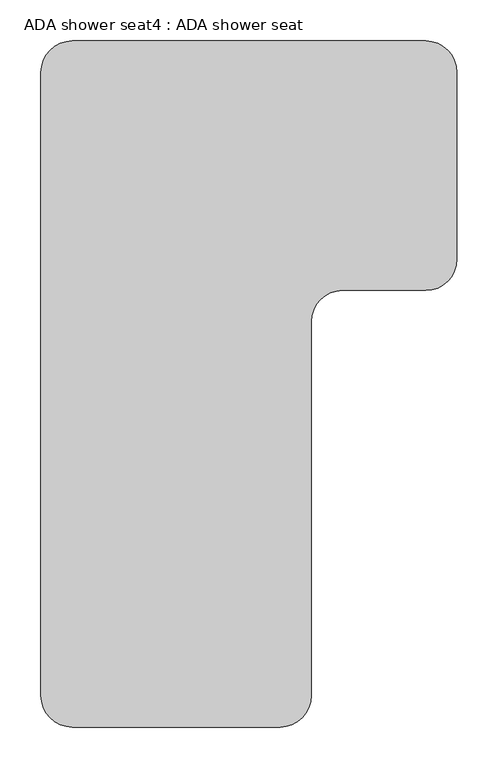
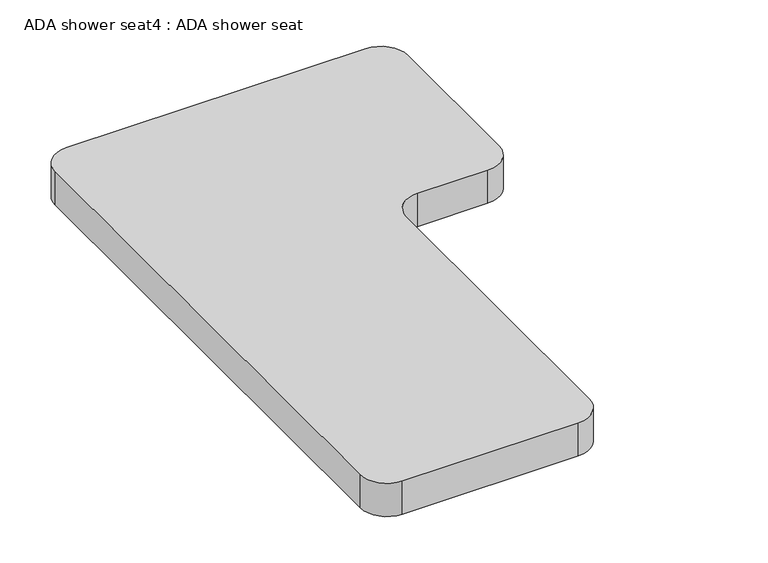
"""IFC4 building model written with IfcOpenShell, lengths in millimetres: proxy geometry, ADA shower seat4 : ADA shower seat."""

import ifcopenshell
import ifcopenshell.guid

model = None  # the IFC model being written
_history = None  # IfcOwnerHistory: only IFC2X3 demands one
_inside = {}  # id of a spatial element -> (the spatial element, [elements in it])
_under = {}  # id of a project, library or spatial element -> (it, [spatial elements below it])
_declared = {}  # id of a project -> (the project, [libraries it declares])
_typed = {}  # id of a type object -> (the type object, [elements of that type])
_made_of = {}  # id of a material, layer set ... -> (it, [elements and type objects made of it])


def new_model(schema):
    """Start an empty IFC model of exactly this schema.

    Asked for "IFC4X3", IfcOpenShell would pick the latest addendum, in which some entities
    have other attributes; the version numbers below select the first issue.
    IFC2X3 requires an IfcOwnerHistory on every rooted entity: one is made here for all.
    """
    global model, _history
    if schema == "IFC4X3":
        model = ifcopenshell.file(schema_version=(4, 3, 0, 0))
    else:
        model = ifcopenshell.file(schema=schema)
    _inside.clear()
    _under.clear()
    _declared.clear()
    _typed.clear()
    _made_of.clear()
    _history = None
    if model.schema == "IFC2X3":
        org = make("IfcOrganization", Name="unknown")
        user = make(
            "IfcPersonAndOrganization",
            ThePerson=make("IfcPerson", FamilyName="unknown"),
            TheOrganization=org,
        )
        app = make(
            "IfcApplication",
            ApplicationDeveloper=org,
            Version="unknown",
            ApplicationFullName="unknown",
            ApplicationIdentifier="unknown",
        )
        _history = make(
            "IfcOwnerHistory",
            OwningUser=user,
            OwningApplication=app,
            ChangeAction="ADDED",
            CreationDate=0,
        )
    return model


def make(cls, **values):
    """One entity of the class cls with the attributes given. An attribute that is None is left unset."""
    return model.create_entity(
        cls, **{name: value for name, value in values.items() if value is not None}
    )


def rooted(cls, **values):
    """An entity with a GlobalId (a new one), such as an element, a storey or a relation."""
    return make(cls, GlobalId=ifcopenshell.guid.new(), OwnerHistory=_history, **values)


def si_unit(unit_type, name, prefix=None):
    """IfcSIUnit, for example si_unit("LENGTHUNIT", "METRE", prefix="MILLI")."""
    return make("IfcSIUnit", UnitType=unit_type, Prefix=prefix, Name=name)


def assignment(units):
    """IfcUnitAssignment: the units of a project."""
    return None if units is None else make("IfcUnitAssignment", Units=units)


def point(xyz):
    """IfcCartesianPoint."""
    return None if xyz is None else make("IfcCartesianPoint", Coordinates=xyz)


def direction(xyz):
    """IfcDirection."""
    return None if xyz is None else make("IfcDirection", DirectionRatios=xyz)


def frame(location, z_axis=None, x_axis=None):
    """IfcAxis2Placement3D, a coordinate frame: its origin and axes. An axis left out is left unset."""
    return make(
        "IfcAxis2Placement3D",
        Location=point(location),
        Axis=direction(z_axis),
        RefDirection=direction(x_axis),
    )


def frame_2d(location, x_axis=None):
    """IfcAxis2Placement2D, a coordinate frame in the plane: its origin and x axis."""
    return make(
        "IfcAxis2Placement2D", Location=point(location), RefDirection=direction(x_axis)
    )


def origin():
    """The frame at (0, 0, 0) with its axes left unset."""
    return frame((0.0, 0.0, 0.0))


def place(relative_to, where):
    """IfcLocalPlacement: puts the frame where relative to a parent placement (None: the world)."""
    return make(
        "IfcLocalPlacement", PlacementRelTo=relative_to, RelativePlacement=where
    )


def context(
    kind, dimensions, precision=None, world=None, true_north=None, identifier=None
):
    """IfcGeometricRepresentationContext, for example the 3D "Model" context."""
    return make(
        "IfcGeometricRepresentationContext",
        ContextIdentifier=identifier,
        ContextType=kind,
        CoordinateSpaceDimension=dimensions,
        Precision=precision,
        WorldCoordinateSystem=world,
        TrueNorth=true_north,
    )


def project(units=None, contexts=None):
    """IfcProject with its units and contexts."""
    return rooted(
        "IfcProject",
        Name="project",
        RepresentationContexts=contexts,
        UnitsInContext=assignment(units),
    )


def spatial(cls, under=None, at=None, **own):
    """A site, building, storey or space (cls), placed at a placement, below another one or the project."""
    s = rooted(cls, ObjectPlacement=at, **own)
    if under is not None:
        _under.setdefault(under.id(), (under, []))[1].append(s)
    return s


def polyline(points):
    """IfcPolyline through the points."""
    return make("IfcPolyline", Points=[point(p) for p in points])


def circle_curve(where, radius):
    """IfcCircle in the frame where."""
    return make("IfcCircle", Position=where, Radius=radius)


def trimmed(basis, trim1, trim2, sense, master):
    """IfcTrimmedCurve: the piece of a basis curve between two trims."""
    return make(
        "IfcTrimmedCurve",
        BasisCurve=basis,
        Trim1=trim1,
        Trim2=trim2,
        SenseAgreement=sense,
        MasterRepresentation=master,
    )


def segment(curve, same_sense, transition):
    """IfcCompositeCurveSegment."""
    return make(
        "IfcCompositeCurveSegment",
        Transition=transition,
        SameSense=same_sense,
        ParentCurve=curve,
    )


def composite_curve(segments, self_intersect=None):
    """IfcCompositeCurve: segments joined end to end."""
    return make("IfcCompositeCurve", Segments=segments, SelfIntersect=self_intersect)


def outline(outer, holes=None, kind="AREA"):
    """IfcArbitraryClosedProfileDef: a profile drawn as a closed curve; with holes, ...WithVoids."""
    if holes is None:
        return make("IfcArbitraryClosedProfileDef", ProfileType=kind, OuterCurve=outer)
    return make(
        "IfcArbitraryProfileDefWithVoids",
        ProfileType=kind,
        OuterCurve=outer,
        InnerCurves=holes,
    )


def extrude(swept, where, along, depth):
    """IfcExtrudedAreaSolid: the profile swept, set in the frame where, extruded along a direction by depth."""
    return make(
        "IfcExtrudedAreaSolid",
        SweptArea=swept,
        Position=where,
        ExtrudedDirection=direction(along),
        Depth=depth,
    )


def shape(context_of_items, identifier, shape_type, items):
    """IfcShapeRepresentation: the items that make up one representation, for example the "Body"."""
    return make(
        "IfcShapeRepresentation",
        ContextOfItems=context_of_items,
        RepresentationIdentifier=identifier,
        RepresentationType=shape_type,
        Items=items,
    )


def source(mapping_origin, context_of_items, identifier, shape_type, items):
    """IfcRepresentationMap: a shape defined once, which mapped items show again and again."""
    return make(
        "IfcRepresentationMap",
        MappingOrigin=mapping_origin,
        MappedRepresentation=shape(context_of_items, identifier, shape_type, items),
    )


def transform(
    local_origin,
    x_axis=None,
    y_axis=None,
    z_axis=None,
    scale=None,
    scale2=None,
    scale3=None,
    uniform=True,
):
    """IfcCartesianTransformationOperator3D, or its non-uniform kind. x_axis, y_axis, z_axis: its Axis1, 2, 3."""
    if uniform:
        return make(
            "IfcCartesianTransformationOperator3D",
            Axis1=direction(x_axis),
            Axis2=direction(y_axis),
            LocalOrigin=point(local_origin),
            Scale=scale,
            Axis3=direction(z_axis),
        )
    return make(
        "IfcCartesianTransformationOperator3DnonUniform",
        Axis1=direction(x_axis),
        Axis2=direction(y_axis),
        LocalOrigin=point(local_origin),
        Scale=scale,
        Axis3=direction(z_axis),
        Scale2=scale2,
        Scale3=scale3,
    )


def mapped(mapping_source, mapping_target):
    """IfcMappedItem: shows the shape of a source again, moved by a transform."""
    return make(
        "IfcMappedItem", MappingSource=mapping_source, MappingTarget=mapping_target
    )


def made_of(thing, what):
    """Note that an element or type object is made of a material, layer set ...; save() writes the relation."""
    if what is not None:
        _made_of.setdefault(what.id(), (what, []))[1].append(thing)
    return thing


def element(
    cls,
    number,
    at=None,
    inside=None,
    cuts=None,
    type_object=None,
    material=None,
    context=None,
    identifier="Body",
    shape_type=None,
    held_by="IfcProductDefinitionShape",
    body=None,
    shapes=None,
    **own,
):
    """One element of the class cls, such as IfcWall. Its Tag is "e" and its number.

    at: its placement. inside: the storey or other place that contains it. cuts: it is an
    opening in that element (IfcRelVoidsElement). A single representation is given by context,
    identifier, shape_type and body (its items); several are given by shapes. held_by: the class
    of the entity that holds the representations. save() writes the other relations.
    """
    e = rooted(cls, Tag="e%d" % number, ObjectPlacement=at, **own)
    if body is not None:
        shapes = [shape(context, identifier, shape_type, body)]
    if shapes is not None:
        e.Representation = make(held_by, Representations=shapes)
    if inside is not None:
        _inside.setdefault(inside.id(), (inside, []))[1].append(e)
    if cuts is not None:
        rooted(
            "IfcRelVoidsElement", RelatingBuildingElement=cuts, RelatedOpeningElement=e
        )
    if type_object is not None:
        _typed.setdefault(type_object.id(), (type_object, []))[1].append(e)
    return made_of(e, material)


def aggregate(whole, parts):
    """IfcRelAggregates: a whole, such as a stair, and the parts it consists of."""
    return rooted("IfcRelAggregates", RelatingObject=whole, RelatedObjects=parts)


def save(model, path):
    """Write the relations noted so far, then the file.

    IfcRelAggregates (storeys below a building ...), IfcRelContainedInSpatialStructure (elements
    in a storey), IfcRelDefinesByType, IfcRelAssociatesMaterial and IfcRelDeclares: one each for
    every whole, place, type object, material and project.
    """
    for whole, parts in _under.values():
        aggregate(whole, parts)
    for where, things in _inside.values():
        rooted(
            "IfcRelContainedInSpatialStructure",
            RelatedElements=things,
            RelatingStructure=where,
        )
    for kind, things in _typed.values():
        rooted("IfcRelDefinesByType", RelatedObjects=things, RelatingType=kind)
    for what, things in _made_of.values():
        rooted("IfcRelAssociatesMaterial", RelatedObjects=things, RelatingMaterial=what)
    for by, libraries in _declared.values():
        rooted("IfcRelDeclares", RelatingContext=by, RelatedDefinitions=libraries)
    model.write(path)


def ada_shower_seat4_ada_shower_seat_a38ec8de(model_context):
    return source(origin(), model_context, "Body", "SweptSolid", [
        extrude(outline(composite_curve([segment(trimmed(circle_curve(frame_2d((7527.0588362, 52266.85)), 38.1), [point((7527.0588362, 52304.95))], [point((7565.1588362, 52266.85))], False, "CARTESIAN"), True, "CONTINUOUS"), segment(polyline([(7565.1588362, 52266.85), (7565.1588362, 52038.25)]), True, "CONTINUOUS"), segment(trimmed(circle_curve(frame_2d((7527.0588362, 52038.25)), 38.1), [point((7565.1588362, 52038.25))], [point((7527.0588362, 52000.15))], False, "CARTESIAN"), True, "CONTINUOUS"), segment(polyline([(7527.0588362, 52000.15), (7425.4588362, 52000.15)]), True, "CONTINUOUS"), segment(trimmed(circle_curve(frame_2d((7425.4588362, 51962.05)), 38.1), [point((7425.4588362, 52000.15))], [point((7387.3588362, 51962.05))], True, "CARTESIAN"), True, "CONTINUOUS"), segment(polyline([(7387.3588362, 51962.05), (7387.3588362, 51504.85)]), True, "CONTINUOUS"), segment(trimmed(circle_curve(frame_2d((7349.2588362, 51504.85)), 38.1), [point((7387.3588362, 51504.85))], [point((7349.2588362, 51466.75))], False, "CARTESIAN"), True, "CONTINUOUS"), segment(polyline([(7349.2588362, 51466.75), (7095.2588362, 51466.75)]), True, "CONTINUOUS"), segment(trimmed(circle_curve(frame_2d((7095.2588362, 51504.85)), 38.1), [point((7095.2588362, 51466.75))], [point((7057.1588362, 51504.85))], False, "CARTESIAN"), True, "CONTINUOUS"), segment(polyline([(7057.1588362, 51504.85), (7057.1588362, 52266.85)]), True, "CONTINUOUS"), segment(trimmed(circle_curve(frame_2d((7095.2588362, 52266.85)), 38.1), [point((7057.1588362, 52266.85))], [point((7095.2588362, 52304.95))], False, "CARTESIAN"), True, "CONTINUOUS"), segment(polyline([(7095.2588362, 52304.95), (7527.0588362, 52304.95)]), True, "CONTINUOUS")], self_intersect=False)), frame((0.0, 0.0, 406.4), z_axis=(0.0, 0.0, 1.0), x_axis=(1.0, 0.0, 0.0)), (0.0, 0.0, 1.0), 50.8),
    ])


if __name__ == "__main__":
    model = new_model("IFC4")
    model_context = context("Model", 3, world=origin())
    ifc_project = project(units=[si_unit("LENGTHUNIT", "METRE", prefix="MILLI")], contexts=[model_context])
    site = spatial("IfcSite", under=ifc_project)
    building = spatial("IfcBuilding", under=site)
    placement = place(None, origin())
    ada_shower_seat4_ada_shower_seat_shape = ada_shower_seat4_ada_shower_seat_a38ec8de(model_context)
    element("IfcBuildingElementProxy", 1, Name="ADA shower seat4 : ADA shower seat", ObjectType="ADA shower seat4 : ADA shower seat", at=placement, inside=building, context=model_context, shape_type="MappedRepresentation", body=[
        mapped(ada_shower_seat4_ada_shower_seat_shape, transform((0.0, 0.0, 0.0), x_axis=(1.0, 0.0, 0.0), y_axis=(0.0, 1.0, 0.0), z_axis=(0.0, 0.0, 1.0))),
    ])
    save(model, "model.ifc")
